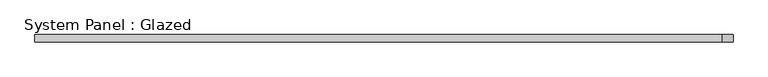
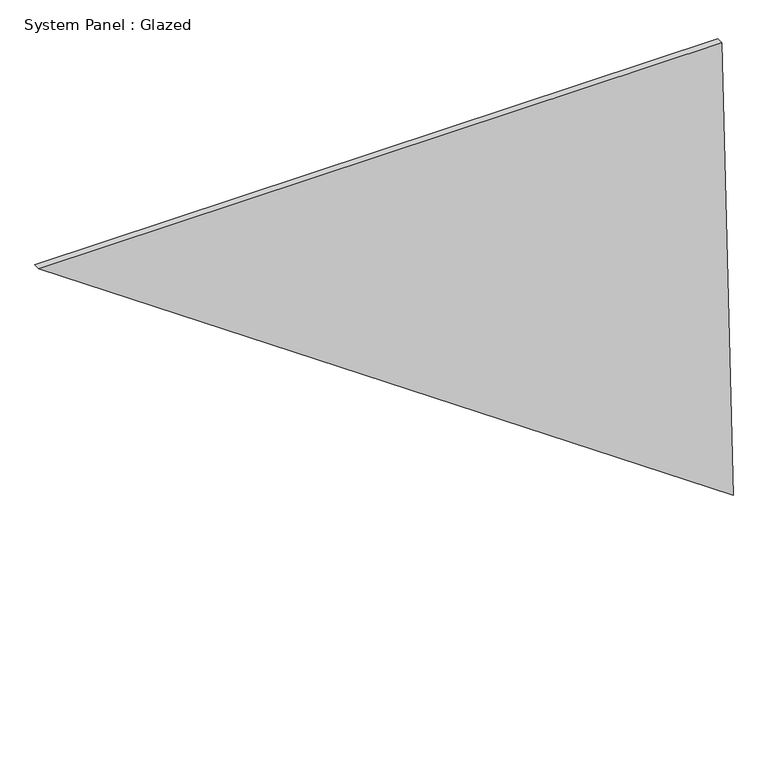
"""IFC4 building model written with IfcOpenShell, lengths in millimetres: plate geometry, System Panel : Glazed."""

from ifc_helpers import new_model, si_unit, frame, origin, place, context, project, spatial, polyline, outline, extrude, source, transform, mapped, element, save


def system_panel_glazed_767a0c02(model_context):
    return source(origin(), model_context, "Body", "SweptSolid", [
        extrude(outline(polyline([(2451.1021471, -1763.5430315), (0.0, 1763.5430315), (2451.1021471, 1705.4019525), (2451.1021471, -1763.5430315)])), frame((0.0, -18.0, 0.0), z_axis=(0.0, 1.0, 0.0), x_axis=(0.0, 0.0, 1.0)), (0.0, 0.0, 1.0), 36.0),
    ])


if __name__ == "__main__":
    model = new_model("IFC4")
    model_context = context("Model", 3, world=origin())
    ifc_project = project(units=[si_unit("LENGTHUNIT", "METRE", prefix="MILLI")], contexts=[model_context])
    site = spatial("IfcSite", under=ifc_project)
    building = spatial("IfcBuilding", under=site)
    placement = place(None, origin())
    system_panel_glazed_shape = system_panel_glazed_767a0c02(model_context)
    element("IfcPlate", 1, ObjectType="System Panel : Glazed", at=placement, inside=building, context=model_context, shape_type="MappedRepresentation", body=[
        mapped(system_panel_glazed_shape, transform((0.0, 0.0, 0.0), x_axis=(1.0, 0.0, 0.0), y_axis=(0.0, 1.0, 0.0), z_axis=(0.0, 0.0, 1.0))),
    ])
    save(model, "model.ifc")
